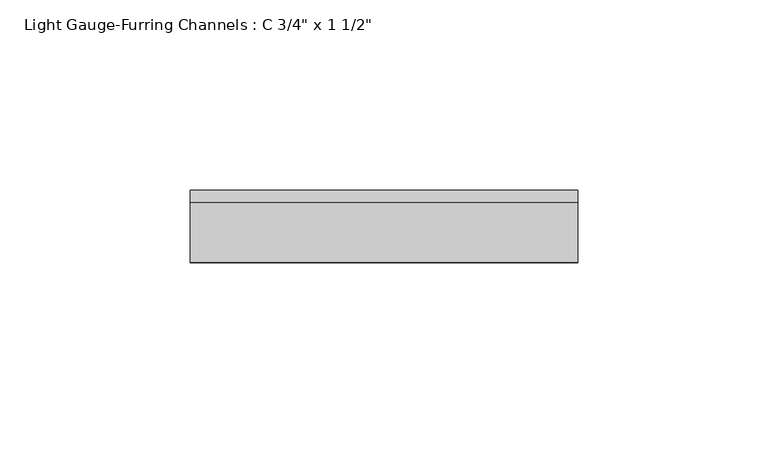
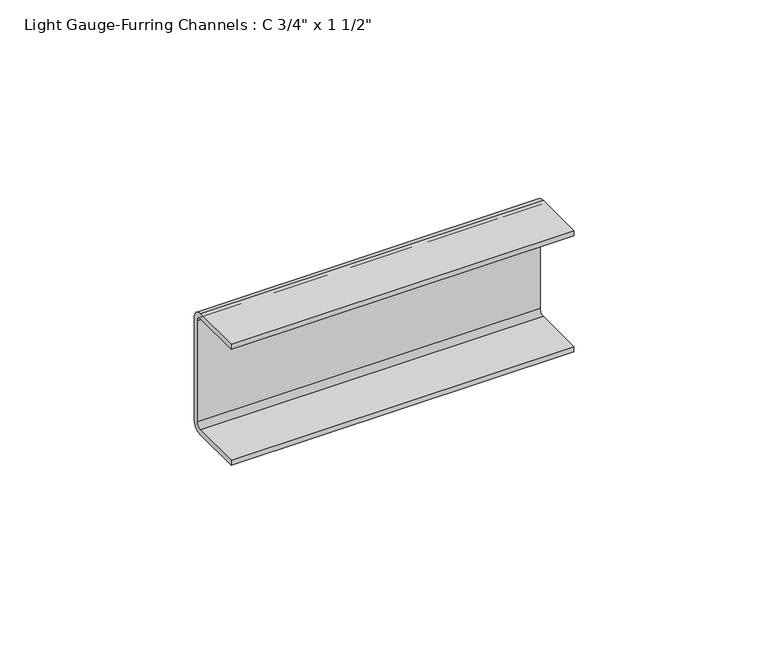
"""IFC4 building model written with IfcOpenShell, lengths in millimetres: beam geometry."""

from ifc_helpers import new_model, si_unit, point, frame, frame_2d, origin, place, context, project, spatial, polyline, circle_curve, trimmed, segment, composite_curve, outline, extrude, source, transform, mapped, element, save


def beam_f06c4544(model_context):
    return source(origin(), model_context, "Body", "SweptSolid", [
        extrude(outline(composite_curve([segment(trimmed(circle_curve(frame_2d((-3.175, -15.875)), 3.175), [point((0.0, -15.875))], [point((-3.175, -19.05))], False, "CARTESIAN"), True, "CONTINUOUS"), segment(polyline([(-3.175, -19.05), (-19.05, -19.05), (-19.05, -17.4625), (-3.175, -17.4625)]), True, "CONTINUOUS"), segment(trimmed(circle_curve(frame_2d((-3.175, -15.875)), 1.5875), [point((-3.175, -17.4625))], [point((-1.5875, -15.875))], True, "CARTESIAN"), True, "CONTINUOUS"), segment(polyline([(-1.5875, -15.875), (-1.5875, 15.875)]), True, "CONTINUOUS"), segment(trimmed(circle_curve(frame_2d((-3.175, 15.875)), 1.5875), [point((-1.5875, 15.875))], [point((-3.175, 17.4625))], True, "CARTESIAN"), True, "CONTINUOUS"), segment(polyline([(-3.175, 17.4625), (-19.05, 17.4625), (-19.05, 19.05), (-3.175, 19.05)]), True, "CONTINUOUS"), segment(trimmed(circle_curve(frame_2d((-3.175, 15.875)), 3.175), [point((-3.175, 19.05))], [point((0.0, 15.875))], False, "CARTESIAN"), True, "CONTINUOUS"), segment(polyline([(0.0, 15.875), (0.0, -15.875)]), True, "CONTINUOUS")], self_intersect=False)), frame((-51.0123206, 0.0, 0.0), z_axis=(1.0, 0.0, 0.0), x_axis=(0.0, 1.0, 0.0)), (0.0, 0.0, 1.0), 102.0246412),
    ])


if __name__ == "__main__":
    model = new_model("IFC4")
    model_context = context("Model", 3, world=origin())
    ifc_project = project(units=[si_unit("LENGTHUNIT", "METRE", prefix="MILLI")], contexts=[model_context])
    site = spatial("IfcSite", under=ifc_project)
    building = spatial("IfcBuilding", under=site)
    placement = place(None, origin())
    beam_shape = beam_f06c4544(model_context)
    element("IfcBeam", 1, ObjectType="Light Gauge-Furring Channels : C 3/4\" x 1 1/2\"", at=placement, inside=building, context=model_context, shape_type="MappedRepresentation", body=[
        mapped(beam_shape, transform((0.0, 0.0, 0.0), x_axis=(1.0, 0.0, 0.0), y_axis=(0.0, 1.0, 0.0), z_axis=(0.0, 0.0, 1.0))),
    ])
    save(model, "model.ifc")
